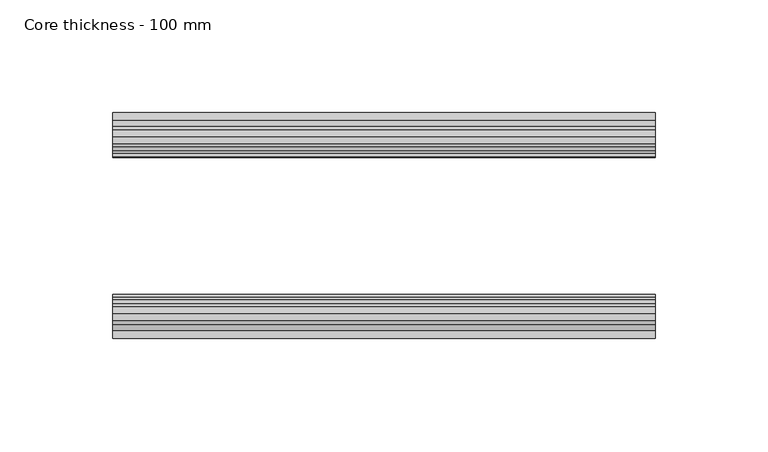
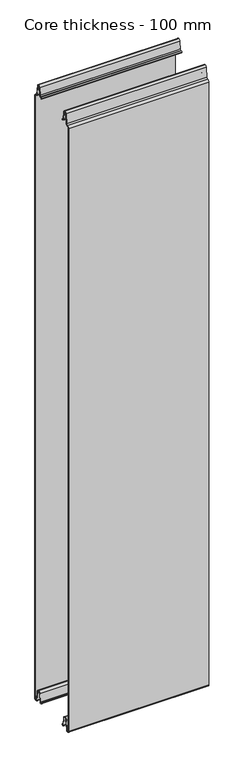
"""IFC4 building model written with IfcOpenShell, lengths in millimetres: plate geometry, Core thickness - 100 mm."""

from ifc_helpers import new_model, si_unit, frame, origin, place, context, project, spatial, polyline, circle_curve, source, transform, mapped, element, save
from ifc_brep_helpers import plane_surface, cylinder_surface, revolved_surface, advanced_brep


def core_thickness_100_mm_8b58ebcf(model_context):
    return source(origin(), model_context, "Body", "AdvancedBrep", [
        advanced_brep(
        [(119.9999998, -99.1996949, 1093.8000005), (119.9999998, -96.6339815, 1096.1942726), (119.9999998, -93.1209335, 1099.1779769), (119.9999998, -91.4584333, 1116.1334653), (119.9999998, -89.1776715, 1118.1999998), (119.9999998, -86.8969097, 1116.1334653), (119.9999998, -85.5642071, 1102.5415123), (119.9999998, -82.9766159, 1100.1952279), (119.9999998, -81.8996949, 1100.1952279), (119.9999998, -81.2996949, 1099.5952279), (119.9999998, -81.2996949, 1098.4952279), (119.9999998, -80.4996949, 1098.4952279), (119.9999998, -80.4996949, 1099.5952279), (119.9999998, -81.8996949, 1100.9952279), (119.9999998, -82.9766159, 1100.9952279), (119.9999998, -84.7680252, 1102.6195786), (119.9999998, -86.1007278, 1116.2115316), (119.9999998, -89.1776715, 1119.0), (119.9999998, -92.2546153, 1116.2115316), (119.9999998, -93.9171154, 1099.2560432), (119.9999998, -96.5778021, 1097.005967), (119.9999998, -99.9996949, 1093.8000005), (119.9999998, -99.9996949, 2.9900682), (119.9999998, -93.81449, 2.6875612), (119.9999998, -92.197116, 19.1828169), (119.9999998, -89.1776715, 21.8898782), (119.9999998, -86.1582271, 19.1828169), (119.9999998, -84.7725998, 5.0510966), (119.9999998, -80.3830995, 5.265779), (119.9999998, -81.1830995, 5.265779), (119.9999998, -83.9764178, 5.1291629), (119.9999998, -85.3620451, 19.2608832), (119.9999998, -89.1776715, 22.6899182), (119.9999998, -92.9932979, 19.2608832), (119.9999998, -94.6106719, 2.7656275), (119.9999998, -99.1996949, 2.9900682), (-119.9999998, -99.2, 1093.8000005), (-119.9999998, -99.2, 2.9900682), (-119.9999998, -94.6106719, 2.7656275), (-119.9999998, -92.9932979, 19.2608832), (-119.9999998, -89.1776715, 22.6899182), (-119.9999998, -85.3620451, 19.2608832), (-119.9999998, -83.9764178, 5.1291629), (-119.9999998, -81.1830995, 5.265779), (-119.9999998, -80.3830995, 5.265779), (-119.9999998, -84.7725998, 5.0510966), (-119.9999998, -86.1582271, 19.1828169), (-119.9999998, -89.1776715, 21.8898782), (-119.9999998, -92.197116, 19.1828169), (-119.9999998, -93.81449, 2.6875612), (-119.9999998, -99.9996949, 2.9900682), (-119.9999998, -99.9996949, 1093.8000005), (-119.9999998, -96.5787437, 1096.9923633), (-119.9999998, -93.9171154, 1099.2560432), (-119.9999998, -92.2546153, 1116.2115316), (-119.9999998, -89.1776715, 1119.0), (-119.9999998, -86.1007278, 1116.2115316), (-119.9999998, -84.7680252, 1102.6195786), (-119.9999998, -82.9766159, 1100.9952279), (-119.9999998, -81.8996949, 1100.9952279), (-119.9999998, -80.4996949, 1099.5952279), (-119.9999998, -80.4996949, 1098.4952279), (-119.9999998, -81.2996949, 1098.4952279), (-119.9999998, -81.2996949, 1099.5952279), (-119.9999998, -81.8996949, 1100.1952279), (-119.9999998, -82.9766159, 1100.1952279), (-119.9999998, -85.5642071, 1102.5415123), (-119.9999998, -86.8969097, 1116.1334653), (-119.9999998, -89.1776715, 1118.1999998), (-119.9999998, -91.4584333, 1116.1334653), (-119.9999998, -93.1209335, 1099.1779769), (-119.9999998, -96.6330399, 1096.2078763)],
        [
            (0, 1, circle_curve(frame((119.9999998, -96.7996949, 1093.8000005), z_axis=(-1.0, 0.0, 0.0), x_axis=(0.0, 0.0, -1.0)), 2.4)),
            (1, 2, circle_curve(frame((119.9999998, -96.4051839, 1099.5000005), z_axis=(1.0, 0.0, 0.0), x_axis=(0.0, 0.0, -1.0)), 3.3)),
            (2, 3),
            (3, 4, circle_curve(frame((119.9999998, -89.1793626, 1115.9100005), z_axis=(-1.0, 0.0, 0.0), x_axis=(0.0, 0.0, -1.0)), 2.29)),
            (4, 5, circle_curve(frame((119.9999998, -89.1759805, 1115.9100005), z_axis=(-1.0, 0.0, 0.0), x_axis=(0.0, 0.0, -1.0)), 2.29)),
            (5, 6),
            (6, 7, circle_curve(frame((119.9999998, -82.9766159, 1102.7952279), z_axis=(1.0, 0.0, 0.0), x_axis=(0.0, 0.0, -1.0)), 2.6)),
            (7, 8),
            (8, 9, circle_curve(frame((119.9999998, -81.8996949, 1099.5952279), z_axis=(-1.0, 0.0, 0.0), x_axis=(0.0, 0.0, -1.0)), 0.6)),
            (9, 10),
            (10, 11),
            (11, 12),
            (12, 13, circle_curve(frame((119.9999998, -81.8996949, 1099.5952279), z_axis=(1.0, 0.0, 0.0), x_axis=(0.0, 0.0, -1.0)), 1.4)),
            (13, 14),
            (14, 15, circle_curve(frame((119.9999998, -82.9766159, 1102.7952279), z_axis=(-1.0, 0.0, 0.0), x_axis=(0.0, 0.0, -1.0)), 1.8)),
            (15, 16),
            (16, 17, circle_curve(frame((119.9999998, -89.1759805, 1115.9100005), z_axis=(1.0, 0.0, 0.0), x_axis=(0.0, 0.0, -1.0)), 3.09)),
            (17, 18, circle_curve(frame((119.9999998, -89.1793626, 1115.9100005), z_axis=(1.0, 0.0, 0.0), x_axis=(0.0, 0.0, -1.0)), 3.09)),
            (18, 19),
            (19, 20, circle_curve(frame((119.9999998, -96.4051839, 1099.5000005), z_axis=(-1.0, 0.0, 0.0), x_axis=(0.0, 0.0, -1.0)), 2.5)),
            (20, 21, circle_curve(frame((119.9999998, -96.7996949, 1093.8000005), z_axis=(1.0, 0.0, 0.0), x_axis=(0.0, 0.0, -1.0)), 3.2)),
            (21, 22),
            (22, 23, circle_curve(frame((119.9999998, -96.8996949, 2.9900682), z_axis=(1.0, 0.0, 0.0), x_axis=(0.0, 0.0, -1.0)), 3.1)),
            (23, 24),
            (24, 25, circle_curve(frame((119.9999998, -89.2114338, 18.8900682), z_axis=(-1.0, 0.0, 0.0), x_axis=(0.0, 0.0, -1.0)), 3.0)),
            (25, 26, circle_curve(frame((119.9999998, -89.1439093, 18.8900682), z_axis=(-1.0, 0.0, 0.0), x_axis=(0.0, 0.0, -1.0)), 3.0)),
            (26, 27),
            (27, 28, circle_curve(frame((119.9999998, -82.5830995, 5.265779), z_axis=(1.0, 0.0, 0.0), x_axis=(0.0, 0.0, -1.0)), 2.2)),
            (28, 29),
            (29, 30, circle_curve(frame((119.9999998, -82.5830995, 5.265779), z_axis=(-1.0, 0.0, 0.0), x_axis=(0.0, 0.0, -1.0)), 1.4)),
            (30, 31),
            (31, 32, circle_curve(frame((119.9999998, -89.1439093, 18.8900682), z_axis=(1.0, 0.0, 0.0), x_axis=(0.0, 0.0, -1.0)), 3.8)),
            (32, 33, circle_curve(frame((119.9999998, -89.2114338, 18.8900682), z_axis=(1.0, 0.0, 0.0), x_axis=(0.0, 0.0, -1.0)), 3.8)),
            (33, 34),
            (34, 35, circle_curve(frame((119.9999998, -96.8996949, 2.9900682), z_axis=(-1.0, 0.0, 0.0), x_axis=(0.0, 0.0, -1.0)), 2.3)),
            (35, 0),
            (36, 37),
            (37, 38, circle_curve(frame((-119.9999998, -96.8996949, 2.9900682), z_axis=(1.0, 0.0, 0.0), x_axis=(0.0, 0.0, -1.0)), 2.3)),
            (38, 39),
            (39, 40, circle_curve(frame((-119.9999998, -89.2114338, 18.8900682), z_axis=(-1.0, 0.0, 0.0), x_axis=(0.0, 0.0, -1.0)), 3.8)),
            (40, 41, circle_curve(frame((-119.9999998, -89.1439093, 18.8900682), z_axis=(-1.0, 0.0, 0.0), x_axis=(0.0, 0.0, -1.0)), 3.8)),
            (41, 42),
            (42, 43, circle_curve(frame((-119.9999998, -82.5830995, 5.265779), z_axis=(1.0, 0.0, 0.0), x_axis=(0.0, 0.0, -1.0)), 1.4)),
            (43, 44),
            (44, 45, circle_curve(frame((-119.9999998, -82.5830995, 5.265779), z_axis=(-1.0, 0.0, 0.0), x_axis=(0.0, 0.0, -1.0)), 2.2)),
            (45, 46),
            (46, 47, circle_curve(frame((-119.9999998, -89.1439093, 18.8900682), z_axis=(1.0, 0.0, 0.0), x_axis=(0.0, 0.0, -1.0)), 3.0)),
            (47, 48, circle_curve(frame((-119.9999998, -89.2114338, 18.8900682), z_axis=(1.0, 0.0, 0.0), x_axis=(0.0, 0.0, -1.0)), 3.0)),
            (48, 49),
            (49, 50, circle_curve(frame((-119.9999998, -96.8996949, 2.9900682), z_axis=(-1.0, 0.0, 0.0), x_axis=(0.0, 0.0, -1.0)), 3.1)),
            (50, 51),
            (51, 52, circle_curve(frame((-119.9999998, -96.7996949, 1093.8000005), z_axis=(-1.0, 0.0, 0.0), x_axis=(0.0, 0.0, -1.0)), 3.2)),
            (52, 53, circle_curve(frame((-119.9999998, -96.4051839, 1099.5000005), z_axis=(1.0, 0.0, 0.0), x_axis=(0.0, 0.0, -1.0)), 2.5)),
            (53, 54),
            (54, 55, circle_curve(frame((-119.9999998, -89.1793626, 1115.9100005), z_axis=(-1.0, 0.0, 0.0), x_axis=(0.0, 0.0, -1.0)), 3.09)),
            (55, 56, circle_curve(frame((-119.9999998, -89.1759805, 1115.9100005), z_axis=(-1.0, 0.0, 0.0), x_axis=(0.0, 0.0, -1.0)), 3.09)),
            (56, 57),
            (57, 58, circle_curve(frame((-119.9999998, -82.9766159, 1102.7952279), z_axis=(1.0, 0.0, 0.0), x_axis=(0.0, 0.0, -1.0)), 1.8)),
            (58, 59),
            (59, 60, circle_curve(frame((-119.9999998, -81.8996949, 1099.5952279), z_axis=(-1.0, 0.0, 0.0), x_axis=(0.0, 0.0, -1.0)), 1.4)),
            (60, 61),
            (61, 62),
            (62, 63),
            (63, 64, circle_curve(frame((-119.9999998, -81.8996949, 1099.5952279), z_axis=(1.0, 0.0, 0.0), x_axis=(0.0, 0.0, -1.0)), 0.6)),
            (64, 65),
            (65, 66, circle_curve(frame((-119.9999998, -82.9766159, 1102.7952279), z_axis=(-1.0, 0.0, 0.0), x_axis=(0.0, 0.0, -1.0)), 2.6)),
            (66, 67),
            (67, 68, circle_curve(frame((-119.9999998, -89.1759805, 1115.9100005), z_axis=(1.0, 0.0, 0.0), x_axis=(0.0, 0.0, -1.0)), 2.29)),
            (68, 69, circle_curve(frame((-119.9999998, -89.1793626, 1115.9100005), z_axis=(1.0, 0.0, 0.0), x_axis=(0.0, 0.0, -1.0)), 2.29)),
            (69, 70),
            (70, 71, circle_curve(frame((-119.9999998, -96.4051839, 1099.5000005), z_axis=(-1.0, 0.0, 0.0), x_axis=(0.0, 0.0, -1.0)), 3.3)),
            (71, 36, circle_curve(frame((-119.9999998, -96.7996949, 1093.8000005), z_axis=(1.0, 0.0, 0.0), x_axis=(0.0, 0.0, -1.0)), 2.4)),
            (35, 37),
            (36, 0),
            (21, 51),
            (50, 22),
            (20, 52),
            (19, 53),
            (18, 54),
            (17, 55),
            (16, 56),
            (15, 57),
            (14, 58),
            (13, 59),
            (12, 60),
            (11, 61),
            (10, 62),
            (9, 63),
            (8, 64),
            (7, 65),
            (6, 66),
            (5, 67),
            (4, 68),
            (3, 69),
            (2, 70),
            (1, 71),
            (34, 38),
            (33, 39),
            (32, 40),
            (31, 41),
            (30, 42),
            (29, 43),
            (28, 44),
            (27, 45),
            (26, 46),
            (25, 47),
            (24, 48),
            (23, 49),
        ],
        [
            plane_surface(frame((119.9999998, -100.0, 0.0), z_axis=(1.0, 0.0, 0.0), x_axis=(0.0, 1.0, 0.0))),
            plane_surface(frame((-119.9999998, -100.0, 0.0), z_axis=(-1.0, 0.0, 0.0), x_axis=(0.0, 1.0, 0.0))),
            plane_surface(frame((119.9999998, -99.2, 2.9900682), z_axis=(0.0, 1.0, 0.0), x_axis=(-1.0, 0.0, 0.0))),
            plane_surface(frame((119.9999998, -99.9996949, 1093.8000005), z_axis=(0.0, -1.0, 0.0), x_axis=(-1.0, 0.0, 0.0))),
            cylinder_surface(frame((119.9999998, -96.7996949, 1093.8000005), z_axis=(1.0, 0.0, 0.0), x_axis=(0.0, 0.0, -1.0)), 3.2),
            revolved_surface(polyline([(-119.9999998, -96.4051839, 1097.0000005), (119.9999998, -96.4051839, 1097.0000005)]), (119.9999998, -96.4051839, 1099.5000005), (-1.0, 0.0, 0.0)),
            plane_surface(frame((119.9999998, -92.2546153, 1116.2115316), z_axis=(0.0, -0.9952273999818317, 0.0975828997591444), x_axis=(-1.0, 0.0, 0.0))),
            cylinder_surface(frame((119.9999998, -89.1793626, 1115.9100005), z_axis=(1.0, 0.0, 0.0), x_axis=(0.0, 0.0, -1.0)), 3.09),
            cylinder_surface(frame((119.9999998, -89.1759805, 1115.9100005), z_axis=(1.0, 0.0, 0.0), x_axis=(0.0, 0.0, -1.0)), 3.09),
            plane_surface(frame((119.9999998, -84.7680252, 1102.6195786), z_axis=(0.0, 0.9952273999818314, 0.0975828997591471), x_axis=(-1.0, 0.0, 0.0))),
            revolved_surface(polyline([(-119.9999998, -82.9766159, 1100.9952279000001), (119.9999998, -82.9766159, 1100.9952279000001)]), (119.9999998, -82.9766159, 1102.7952279), (-1.0, 0.0, 0.0)),
            plane_surface(frame((119.9999998, -81.8996949, 1100.9952279), z_axis=(0.0, 0.0, 1.0), x_axis=(-1.0, 0.0, 0.0))),
            cylinder_surface(frame((119.9999998, -81.8996949, 1099.5952279), z_axis=(1.0, 0.0, 0.0), x_axis=(0.0, 0.0, -1.0)), 1.4),
            plane_surface(frame((119.9999998, -80.4996949, 1098.4952279), z_axis=(0.0, 1.0, 0.0), x_axis=(-1.0, 0.0, 0.0))),
            plane_surface(frame((119.9999998, -81.2996949, 1098.4952279), z_axis=(0.0, 0.0, -1.0), x_axis=(-1.0, 0.0, 0.0))),
            plane_surface(frame((119.9999998, -81.2996949, 1099.5952279), z_axis=(0.0, -1.0, 0.0), x_axis=(-1.0, 0.0, 0.0))),
            revolved_surface(polyline([(-119.9999998, -81.8996949, 1098.9952279000001), (119.9999998, -81.8996949, 1098.9952279000001)]), (119.9999998, -81.8996949, 1099.5952279), (-1.0, 0.0, 0.0)),
            plane_surface(frame((119.9999998, -82.9766159, 1100.1952279), z_axis=(0.0, 0.0, -1.0), x_axis=(-1.0, 0.0, 0.0))),
            cylinder_surface(frame((119.9999998, -82.9766159, 1102.7952279), z_axis=(1.0, 0.0, 0.0), x_axis=(0.0, 0.0, -1.0)), 2.6),
            plane_surface(frame((119.9999998, -86.8969097, 1116.1334653), z_axis=(0.0, -0.9952273999818314, -0.09758289975914705), x_axis=(-1.0, 0.0, 0.0))),
            revolved_surface(polyline([(-119.9999998, -89.1759805, 1113.6200005), (119.9999998, -89.1759805, 1113.6200005)]), (119.9999998, -89.1759805, 1115.9100005), (-1.0, 0.0, 0.0)),
            revolved_surface(polyline([(-119.9999998, -89.1793626, 1113.6200005), (119.9999998, -89.1793626, 1113.6200005)]), (119.9999998, -89.1793626, 1115.9100005), (-1.0, 0.0, 0.0)),
            plane_surface(frame((119.9999998, -93.1209335, 1099.1779769), z_axis=(0.0, 0.9952273999818317, -0.09758289975914436), x_axis=(-1.0, 0.0, 0.0))),
            cylinder_surface(frame((119.9999998, -96.4051839, 1099.5000005), z_axis=(1.0, 0.0, 0.0), x_axis=(0.0, 0.0, -1.0)), 3.3),
            revolved_surface(polyline([(-119.9999998, -96.7996949, 1091.4000004999998), (119.9999998, -96.7996949, 1091.4000004999998)]), (119.9999998, -96.7996949, 1093.8000005), (-1.0, 0.0, 0.0)),
            revolved_surface(polyline([(-119.9999998, -96.8996949, 0.6900682000000002), (119.9999998, -96.8996949, 0.6900682000000002)]), (119.9999998, -96.8996949, 2.9900682), (-1.0, 0.0, 0.0)),
            plane_surface(frame((119.9999998, -92.9932979, 19.2608832), z_axis=(0.0, -0.9952273999818314, 0.09758289975914787), x_axis=(-1.0, 0.0, 0.0))),
            cylinder_surface(frame((119.9999998, -89.2114338, 18.8900682), z_axis=(1.0, 0.0, 0.0), x_axis=(0.0, 0.0, -1.0)), 3.8),
            cylinder_surface(frame((119.9999998, -89.1439093, 18.8900682), z_axis=(1.0, 0.0, 0.0), x_axis=(0.0, 0.0, -1.0)), 3.8),
            plane_surface(frame((119.9999998, -83.9764178, 5.1291629), z_axis=(0.0, 0.9952273999818297, 0.09758289975916531), x_axis=(-1.0, 0.0, 0.0))),
            revolved_surface(polyline([(-119.9999998, -82.5830995, 3.8657790000000003), (119.9999998, -82.5830995, 3.8657790000000003)]), (119.9999998, -82.5830995, 5.265779), (-1.0, 0.0, 0.0)),
            plane_surface(frame((119.9999998, -80.3830995, 5.265779), z_axis=(0.0, 0.0, 1.0), x_axis=(-1.0, 0.0, 0.0))),
            cylinder_surface(frame((119.9999998, -82.5830995, 5.265779), z_axis=(1.0, 0.0, 0.0), x_axis=(0.0, 0.0, -1.0)), 2.2),
            plane_surface(frame((119.9999998, -86.1582271, 19.1828169), z_axis=(0.0, -0.9952273999818296, -0.09758289975916527), x_axis=(-1.0, 0.0, 0.0))),
            revolved_surface(polyline([(-119.9999998, -89.1439093, 15.890068200000002), (119.9999998, -89.1439093, 15.890068200000002)]), (119.9999998, -89.1439093, 18.8900682), (-1.0, 0.0, 0.0)),
            revolved_surface(polyline([(-119.9999998, -89.2114338, 15.890068200000002), (119.9999998, -89.2114338, 15.890068200000002)]), (119.9999998, -89.2114338, 18.8900682), (-1.0, 0.0, 0.0)),
            plane_surface(frame((119.9999998, -93.81449, 2.6875612), z_axis=(0.0, 0.9952273999818314, -0.09758289975914787), x_axis=(-1.0, 0.0, 0.0))),
            cylinder_surface(frame((119.9999998, -96.8996949, 2.9900682), z_axis=(1.0, 0.0, 0.0), x_axis=(0.0, 0.0, -1.0)), 3.1),
        ],
        [
            (0, [[1, 2, 3, 4, 5, 6, 7, 8, 9, 10, 11, 12, 13, 14, 15, 16, 17, 18, 19, 20, 21, 22, 23, 24, 25, 26, 27, 28, 29, 30, 31, 32, 33, 34, 35, 36]]),
            (1, [[37, 38, 39, 40, 41, 42, 43, 44, 45, 46, 47, 48, 49, 50, 51, 52, 53, 54, 55, 56, 57, 58, 59, 60, 61, 62, 63, 64, 65, 66, 67, 68, 69, 70, 71, 72]]),
            (2, [[-36, 73, -37, 74]]),
            (3, [[-22, 75, -51, 76]]),
            (4, [[-21, 77, -52, -75]]),
            (5, [[-20, 78, -53, -77]]),
            (6, [[-19, 79, -54, -78]]),
            (7, [[-18, 80, -55, -79]]),
            (8, [[-17, 81, -56, -80]]),
            (9, [[-16, 82, -57, -81]]),
            (10, [[-15, 83, -58, -82]]),
            (11, [[-14, 84, -59, -83]]),
            (12, [[-13, 85, -60, -84]]),
            (13, [[-12, 86, -61, -85]]),
            (14, [[-11, 87, -62, -86]]),
            (15, [[-10, 88, -63, -87]]),
            (16, [[-9, 89, -64, -88]]),
            (17, [[-8, 90, -65, -89]]),
            (18, [[-7, 91, -66, -90]]),
            (19, [[-6, 92, -67, -91]]),
            (20, [[-5, 93, -68, -92]]),
            (21, [[-4, 94, -69, -93]]),
            (22, [[-3, 95, -70, -94]]),
            (23, [[-2, 96, -71, -95]]),
            (24, [[-1, -74, -72, -96]]),
            (25, [[-35, 97, -38, -73]]),
            (26, [[-34, 98, -39, -97]]),
            (27, [[-33, 99, -40, -98]]),
            (28, [[-32, 100, -41, -99]]),
            (29, [[-31, 101, -42, -100]]),
            (30, [[-30, 102, -43, -101]]),
            (31, [[-29, 103, -44, -102]]),
            (32, [[-28, 104, -45, -103]]),
            (33, [[-27, 105, -46, -104]]),
            (34, [[-26, 106, -47, -105]]),
            (35, [[-25, 107, -48, -106]]),
            (36, [[-24, 108, -49, -107]]),
            (37, [[-23, -76, -50, -108]]),
        ],
    ),
        advanced_brep(
        [(119.9999998, -0.8, 1093.8000005), (119.9999998, -0.8, 2.9900682), (119.9999998, -5.3893281, 2.7656275), (119.9999998, -7.0067021, 19.2608832), (119.9999998, -10.8223285, 22.6899182), (119.9999998, -14.6379549, 19.2608832), (119.9999998, -16.0235822, 5.1291629), (119.9999998, -18.8169005, 5.265779), (119.9999998, -19.6169005, 5.265779), (119.9999998, -15.2274002, 5.0510966), (119.9999998, -13.8417729, 19.1828169), (119.9999998, -10.8223285, 21.8898782), (119.9999998, -7.802884, 19.1828169), (119.9999998, -6.18551, 2.6875612), (119.9999998, -0.0003051, 2.9900682), (119.9999998, -0.0003051, 1093.8000005), (119.9999998, -3.4212563, 1096.9923633), (119.9999998, -6.0828846, 1099.2560432), (119.9999998, -7.7453847, 1116.2115316), (119.9999998, -10.8223285, 1119.0), (119.9999998, -13.8992722, 1116.2115316), (119.9999998, -15.2319748, 1102.6195786), (119.9999998, -17.0233841, 1100.9952279), (119.9999998, -18.1003051, 1100.9952279), (119.9999998, -19.5003051, 1099.5952279), (119.9999998, -19.5003051, 1098.4952279), (119.9999998, -18.7003051, 1098.4952279), (119.9999998, -18.7003051, 1099.5952279), (119.9999998, -18.1003051, 1100.1952279), (119.9999998, -17.0233841, 1100.1952279), (119.9999998, -14.4357929, 1102.5415123), (119.9999998, -13.1030903, 1116.1334653), (119.9999998, -10.8223285, 1118.1999998), (119.9999998, -8.5415667, 1116.1334653), (119.9999998, -6.8790665, 1099.1779769), (119.9999998, -3.3669601, 1096.2078763), (-119.9999998, -0.8003051, 1093.8000005), (-119.9999998, -3.3660185, 1096.1942726), (-119.9999998, -6.8790665, 1099.1779769), (-119.9999998, -8.5415667, 1116.1334653), (-119.9999998, -10.8223285, 1118.1999998), (-119.9999998, -13.1030903, 1116.1334653), (-119.9999998, -14.4357929, 1102.5415123), (-119.9999998, -17.0233841, 1100.1952279), (-119.9999998, -18.1003051, 1100.1952279), (-119.9999998, -18.7003051, 1099.5952279), (-119.9999998, -18.7003051, 1098.4952279), (-119.9999998, -19.5003051, 1098.4952279), (-119.9999998, -19.5003051, 1099.5952279), (-119.9999998, -18.1003051, 1100.9952279), (-119.9999998, -17.0233841, 1100.9952279), (-119.9999998, -15.2319748, 1102.6195786), (-119.9999998, -13.8992722, 1116.2115316), (-119.9999998, -10.8223285, 1119.0), (-119.9999998, -7.7453847, 1116.2115316), (-119.9999998, -6.0828846, 1099.2560432), (-119.9999998, -3.4221979, 1097.005967), (-119.9999998, -0.0003051, 1093.8000005), (-119.9999998, -0.0003051, 2.9900682), (-119.9999998, -6.18551, 2.6875612), (-119.9999998, -7.802884, 19.1828169), (-119.9999998, -10.8223285, 21.8898782), (-119.9999998, -13.8417729, 19.1828169), (-119.9999998, -15.2274002, 5.0510966), (-119.9999998, -19.6169005, 5.265779), (-119.9999998, -18.8169005, 5.265779), (-119.9999998, -16.0235822, 5.1291629), (-119.9999998, -14.6379549, 19.2608832), (-119.9999998, -10.8223285, 22.6899182), (-119.9999998, -7.0067021, 19.2608832), (-119.9999998, -5.3893281, 2.7656275), (-119.9999998, -0.8003051, 2.9900682)],
        [
            (0, 1),
            (1, 2, circle_curve(frame((119.9999998, -3.1003051, 2.9900682), z_axis=(-1.0, 0.0, 0.0), x_axis=(0.0, 0.0, -1.0)), 2.3)),
            (2, 3),
            (3, 4, circle_curve(frame((119.9999998, -10.7885662, 18.8900682), z_axis=(1.0, 0.0, 0.0), x_axis=(0.0, 0.0, -1.0)), 3.8)),
            (4, 5, circle_curve(frame((119.9999998, -10.8560907, 18.8900682), z_axis=(1.0, 0.0, 0.0), x_axis=(0.0, 0.0, -1.0)), 3.8)),
            (5, 6),
            (6, 7, circle_curve(frame((119.9999998, -17.4169005, 5.265779), z_axis=(-1.0, 0.0, 0.0), x_axis=(0.0, 0.0, -1.0)), 1.4)),
            (7, 8),
            (8, 9, circle_curve(frame((119.9999998, -17.4169005, 5.265779), z_axis=(1.0, 0.0, 0.0), x_axis=(0.0, 0.0, -1.0)), 2.2)),
            (9, 10),
            (10, 11, circle_curve(frame((119.9999998, -10.8560907, 18.8900682), z_axis=(-1.0, 0.0, 0.0), x_axis=(0.0, 0.0, -1.0)), 3.0)),
            (11, 12, circle_curve(frame((119.9999998, -10.7885662, 18.8900682), z_axis=(-1.0, 0.0, 0.0), x_axis=(0.0, 0.0, -1.0)), 3.0)),
            (12, 13),
            (13, 14, circle_curve(frame((119.9999998, -3.1003051, 2.9900682), z_axis=(1.0, 0.0, 0.0), x_axis=(0.0, 0.0, -1.0)), 3.1)),
            (14, 15),
            (15, 16, circle_curve(frame((119.9999998, -3.2003051, 1093.8000005), z_axis=(1.0, 0.0, 0.0), x_axis=(0.0, 0.0, -1.0)), 3.2)),
            (16, 17, circle_curve(frame((119.9999998, -3.5948161, 1099.5000005), z_axis=(-1.0, 0.0, 0.0), x_axis=(0.0, 0.0, -1.0)), 2.5)),
            (17, 18),
            (18, 19, circle_curve(frame((119.9999998, -10.8206374, 1115.9100005), z_axis=(1.0, 0.0, 0.0), x_axis=(0.0, 0.0, -1.0)), 3.09)),
            (19, 20, circle_curve(frame((119.9999998, -10.8240195, 1115.9100005), z_axis=(1.0, 0.0, 0.0), x_axis=(0.0, 0.0, -1.0)), 3.09)),
            (20, 21),
            (21, 22, circle_curve(frame((119.9999998, -17.0233841, 1102.7952279), z_axis=(-1.0, 0.0, 0.0), x_axis=(0.0, 0.0, -1.0)), 1.8)),
            (22, 23),
            (23, 24, circle_curve(frame((119.9999998, -18.1003051, 1099.5952279), z_axis=(1.0, 0.0, 0.0), x_axis=(0.0, 0.0, -1.0)), 1.4)),
            (24, 25),
            (25, 26),
            (26, 27),
            (27, 28, circle_curve(frame((119.9999998, -18.1003051, 1099.5952279), z_axis=(-1.0, 0.0, 0.0), x_axis=(0.0, 0.0, -1.0)), 0.6)),
            (28, 29),
            (29, 30, circle_curve(frame((119.9999998, -17.0233841, 1102.7952279), z_axis=(1.0, 0.0, 0.0), x_axis=(0.0, 0.0, -1.0)), 2.6)),
            (30, 31),
            (31, 32, circle_curve(frame((119.9999998, -10.8240195, 1115.9100005), z_axis=(-1.0, 0.0, 0.0), x_axis=(0.0, 0.0, -1.0)), 2.29)),
            (32, 33, circle_curve(frame((119.9999998, -10.8206374, 1115.9100005), z_axis=(-1.0, 0.0, 0.0), x_axis=(0.0, 0.0, -1.0)), 2.29)),
            (33, 34),
            (34, 35, circle_curve(frame((119.9999998, -3.5948161, 1099.5000005), z_axis=(1.0, 0.0, 0.0), x_axis=(0.0, 0.0, -1.0)), 3.3)),
            (35, 0, circle_curve(frame((119.9999998, -3.2003051, 1093.8000005), z_axis=(-1.0, 0.0, 0.0), x_axis=(0.0, 0.0, -1.0)), 2.4)),
            (36, 37, circle_curve(frame((-119.9999998, -3.2003051, 1093.8000005), z_axis=(1.0, 0.0, 0.0), x_axis=(0.0, 0.0, -1.0)), 2.4)),
            (37, 38, circle_curve(frame((-119.9999998, -3.5948161, 1099.5000005), z_axis=(-1.0, 0.0, 0.0), x_axis=(0.0, 0.0, -1.0)), 3.3)),
            (38, 39),
            (39, 40, circle_curve(frame((-119.9999998, -10.8206374, 1115.9100005), z_axis=(1.0, 0.0, 0.0), x_axis=(0.0, 0.0, -1.0)), 2.29)),
            (40, 41, circle_curve(frame((-119.9999998, -10.8240195, 1115.9100005), z_axis=(1.0, 0.0, 0.0), x_axis=(0.0, 0.0, -1.0)), 2.29)),
            (41, 42),
            (42, 43, circle_curve(frame((-119.9999998, -17.0233841, 1102.7952279), z_axis=(-1.0, 0.0, 0.0), x_axis=(0.0, 0.0, -1.0)), 2.6)),
            (43, 44),
            (44, 45, circle_curve(frame((-119.9999998, -18.1003051, 1099.5952279), z_axis=(1.0, 0.0, 0.0), x_axis=(0.0, 0.0, -1.0)), 0.6)),
            (45, 46),
            (46, 47),
            (47, 48),
            (48, 49, circle_curve(frame((-119.9999998, -18.1003051, 1099.5952279), z_axis=(-1.0, 0.0, 0.0), x_axis=(0.0, 0.0, -1.0)), 1.4)),
            (49, 50),
            (50, 51, circle_curve(frame((-119.9999998, -17.0233841, 1102.7952279), z_axis=(1.0, 0.0, 0.0), x_axis=(0.0, 0.0, -1.0)), 1.8)),
            (51, 52),
            (52, 53, circle_curve(frame((-119.9999998, -10.8240195, 1115.9100005), z_axis=(-1.0, 0.0, 0.0), x_axis=(0.0, 0.0, -1.0)), 3.09)),
            (53, 54, circle_curve(frame((-119.9999998, -10.8206374, 1115.9100005), z_axis=(-1.0, 0.0, 0.0), x_axis=(0.0, 0.0, -1.0)), 3.09)),
            (54, 55),
            (55, 56, circle_curve(frame((-119.9999998, -3.5948161, 1099.5000005), z_axis=(1.0, 0.0, 0.0), x_axis=(0.0, 0.0, -1.0)), 2.5)),
            (56, 57, circle_curve(frame((-119.9999998, -3.2003051, 1093.8000005), z_axis=(-1.0, 0.0, 0.0), x_axis=(0.0, 0.0, -1.0)), 3.2)),
            (57, 58),
            (58, 59, circle_curve(frame((-119.9999998, -3.1003051, 2.9900682), z_axis=(-1.0, 0.0, 0.0), x_axis=(0.0, 0.0, -1.0)), 3.1)),
            (59, 60),
            (60, 61, circle_curve(frame((-119.9999998, -10.7885662, 18.8900682), z_axis=(1.0, 0.0, 0.0), x_axis=(0.0, 0.0, -1.0)), 3.0)),
            (61, 62, circle_curve(frame((-119.9999998, -10.8560907, 18.8900682), z_axis=(1.0, 0.0, 0.0), x_axis=(0.0, 0.0, -1.0)), 3.0)),
            (62, 63),
            (63, 64, circle_curve(frame((-119.9999998, -17.4169005, 5.265779), z_axis=(-1.0, 0.0, 0.0), x_axis=(0.0, 0.0, -1.0)), 2.2)),
            (64, 65),
            (65, 66, circle_curve(frame((-119.9999998, -17.4169005, 5.265779), z_axis=(1.0, 0.0, 0.0), x_axis=(0.0, 0.0, -1.0)), 1.4)),
            (66, 67),
            (67, 68, circle_curve(frame((-119.9999998, -10.8560907, 18.8900682), z_axis=(-1.0, 0.0, 0.0), x_axis=(0.0, 0.0, -1.0)), 3.8)),
            (68, 69, circle_curve(frame((-119.9999998, -10.7885662, 18.8900682), z_axis=(-1.0, 0.0, 0.0), x_axis=(0.0, 0.0, -1.0)), 3.8)),
            (69, 70),
            (70, 71, circle_curve(frame((-119.9999998, -3.1003051, 2.9900682), z_axis=(1.0, 0.0, 0.0), x_axis=(0.0, 0.0, -1.0)), 2.3)),
            (71, 36),
            (35, 37),
            (36, 0),
            (34, 38),
            (33, 39),
            (32, 40),
            (31, 41),
            (30, 42),
            (29, 43),
            (28, 44),
            (27, 45),
            (26, 46),
            (25, 47),
            (24, 48),
            (23, 49),
            (22, 50),
            (21, 51),
            (20, 52),
            (19, 53),
            (18, 54),
            (17, 55),
            (16, 56),
            (15, 57),
            (14, 58),
            (71, 1),
            (13, 59),
            (12, 60),
            (11, 61),
            (10, 62),
            (9, 63),
            (8, 64),
            (7, 65),
            (6, 66),
            (5, 67),
            (4, 68),
            (3, 69),
            (2, 70),
        ],
        [
            plane_surface(frame((119.9999998, 0.0, 0.0), z_axis=(1.0, 0.0, 0.0), x_axis=(0.0, -1.0, 0.0))),
            plane_surface(frame((-119.9999998, 0.0, 0.0), z_axis=(-1.0, 0.0, 0.0), x_axis=(0.0, -1.0, 0.0))),
            revolved_surface(polyline([(-119.9999998, -3.2003051, 1091.4000004999998), (119.9999998, -3.2003051, 1091.4000004999998)]), (119.9999998, -3.2003051, 1093.8000005), (-1.0, 0.0, 0.0)),
            cylinder_surface(frame((119.9999998, -3.5948161, 1099.5000005), z_axis=(1.0, 0.0, 0.0), x_axis=(0.0, 0.0, -1.0)), 3.3),
            plane_surface(frame((119.9999998, -8.5415667, 1116.1334653), z_axis=(0.0, -0.9952273999818317, -0.09758289975914436), x_axis=(-1.0, 0.0, 0.0))),
            revolved_surface(polyline([(-119.9999998, -10.8206374, 1113.6200005), (119.9999998, -10.8206374, 1113.6200005)]), (119.9999998, -10.8206374, 1115.9100005), (-1.0, 0.0, 0.0)),
            revolved_surface(polyline([(-119.9999998, -10.8240195, 1113.6200005), (119.9999998, -10.8240195, 1113.6200005)]), (119.9999998, -10.8240195, 1115.9100005), (-1.0, 0.0, 0.0)),
            plane_surface(frame((119.9999998, -14.4357929, 1102.5415123), z_axis=(0.0, 0.9952273999818314, -0.09758289975914705), x_axis=(-1.0, 0.0, 0.0))),
            cylinder_surface(frame((119.9999998, -17.0233841, 1102.7952279), z_axis=(1.0, 0.0, 0.0), x_axis=(0.0, 0.0, -1.0)), 2.6),
            plane_surface(frame((119.9999998, -18.1003051, 1100.1952279), z_axis=(0.0, 0.0, -1.0), x_axis=(-1.0, 0.0, 0.0))),
            revolved_surface(polyline([(-119.9999998, -18.1003051, 1098.9952279000001), (119.9999998, -18.1003051, 1098.9952279000001)]), (119.9999998, -18.1003051, 1099.5952279), (-1.0, 0.0, 0.0)),
            plane_surface(frame((119.9999998, -18.7003051, 1098.4952279), z_axis=(0.0, 1.0, 0.0), x_axis=(-1.0, 0.0, 0.0))),
            plane_surface(frame((119.9999998, -19.5003051, 1098.4952279), z_axis=(0.0, 0.0, -1.0), x_axis=(-1.0, 0.0, 0.0))),
            plane_surface(frame((119.9999998, -19.5003051, 1099.5952279), z_axis=(0.0, -1.0, 0.0), x_axis=(-1.0, 0.0, 0.0))),
            cylinder_surface(frame((119.9999998, -18.1003051, 1099.5952279), z_axis=(1.0, 0.0, 0.0), x_axis=(0.0, 0.0, -1.0)), 1.4),
            plane_surface(frame((119.9999998, -17.0233841, 1100.9952279), z_axis=(0.0, 0.0, 1.0), x_axis=(-1.0, 0.0, 0.0))),
            revolved_surface(polyline([(-119.9999998, -17.0233841, 1100.9952279000001), (119.9999998, -17.0233841, 1100.9952279000001)]), (119.9999998, -17.0233841, 1102.7952279), (-1.0, 0.0, 0.0)),
            plane_surface(frame((119.9999998, -13.8992722, 1116.2115316), z_axis=(0.0, -0.9952273999818314, 0.0975828997591471), x_axis=(-1.0, 0.0, 0.0))),
            cylinder_surface(frame((119.9999998, -10.8240195, 1115.9100005), z_axis=(1.0, 0.0, 0.0), x_axis=(0.0, 0.0, -1.0)), 3.09),
            cylinder_surface(frame((119.9999998, -10.8206374, 1115.9100005), z_axis=(1.0, 0.0, 0.0), x_axis=(0.0, 0.0, -1.0)), 3.09),
            plane_surface(frame((119.9999998, -6.0828846, 1099.2560432), z_axis=(0.0, 0.9952273999818317, 0.0975828997591444), x_axis=(-1.0, 0.0, 0.0))),
            revolved_surface(polyline([(-119.9999998, -3.5948161, 1097.0000005), (119.9999998, -3.5948161, 1097.0000005)]), (119.9999998, -3.5948161, 1099.5000005), (-1.0, 0.0, 0.0)),
            cylinder_surface(frame((119.9999998, -3.2003051, 1093.8000005), z_axis=(1.0, 0.0, 0.0), x_axis=(0.0, 0.0, -1.0)), 3.2),
            plane_surface(frame((119.9999998, -0.0003051, 2.9900682), z_axis=(0.0, 1.0, 0.0), x_axis=(-1.0, 0.0, 0.0))),
            plane_surface(frame((119.9999998, -0.8, 1093.8000005), z_axis=(0.0, -1.0, 0.0), x_axis=(-1.0, 0.0, 0.0))),
            cylinder_surface(frame((119.9999998, -3.1003051, 2.9900682), z_axis=(1.0, 0.0, 0.0), x_axis=(0.0, 0.0, -1.0)), 3.1),
            plane_surface(frame((119.9999998, -7.802884, 19.1828169), z_axis=(0.0, -0.9952273999818314, -0.09758289975914787), x_axis=(-1.0, 0.0, 0.0))),
            revolved_surface(polyline([(-119.9999998, -10.7885662, 15.890068200000002), (119.9999998, -10.7885662, 15.890068200000002)]), (119.9999998, -10.7885662, 18.8900682), (-1.0, 0.0, 0.0)),
            revolved_surface(polyline([(-119.9999998, -10.8560907, 15.890068200000002), (119.9999998, -10.8560907, 15.890068200000002)]), (119.9999998, -10.8560907, 18.8900682), (-1.0, 0.0, 0.0)),
            plane_surface(frame((119.9999998, -15.2274002, 5.0510966), z_axis=(0.0, 0.9952273999818296, -0.09758289975916527), x_axis=(-1.0, 0.0, 0.0))),
            cylinder_surface(frame((119.9999998, -17.4169005, 5.265779), z_axis=(1.0, 0.0, 0.0), x_axis=(0.0, 0.0, -1.0)), 2.2),
            plane_surface(frame((119.9999998, -18.8169005, 5.265779), z_axis=(0.0, 0.0, 1.0), x_axis=(-1.0, 0.0, 0.0))),
            revolved_surface(polyline([(-119.9999998, -17.4169005, 3.8657790000000003), (119.9999998, -17.4169005, 3.8657790000000003)]), (119.9999998, -17.4169005, 5.265779), (-1.0, 0.0, 0.0)),
            plane_surface(frame((119.9999998, -14.6379549, 19.2608832), z_axis=(0.0, -0.9952273999818297, 0.09758289975916531), x_axis=(-1.0, 0.0, 0.0))),
            cylinder_surface(frame((119.9999998, -10.8560907, 18.8900682), z_axis=(1.0, 0.0, 0.0), x_axis=(0.0, 0.0, -1.0)), 3.8),
            cylinder_surface(frame((119.9999998, -10.7885662, 18.8900682), z_axis=(1.0, 0.0, 0.0), x_axis=(0.0, 0.0, -1.0)), 3.8),
            plane_surface(frame((119.9999998, -5.3893281, 2.7656275), z_axis=(0.0, 0.9952273999818314, 0.09758289975914787), x_axis=(-1.0, 0.0, 0.0))),
            revolved_surface(polyline([(-119.9999998, -3.1003051, 0.6900682000000002), (119.9999998, -3.1003051, 0.6900682000000002)]), (119.9999998, -3.1003051, 2.9900682), (-1.0, 0.0, 0.0)),
        ],
        [
            (0, [[1, 2, 3, 4, 5, 6, 7, 8, 9, 10, 11, 12, 13, 14, 15, 16, 17, 18, 19, 20, 21, 22, 23, 24, 25, 26, 27, 28, 29, 30, 31, 32, 33, 34, 35, 36]]),
            (1, [[37, 38, 39, 40, 41, 42, 43, 44, 45, 46, 47, 48, 49, 50, 51, 52, 53, 54, 55, 56, 57, 58, 59, 60, 61, 62, 63, 64, 65, 66, 67, 68, 69, 70, 71, 72]]),
            (2, [[-36, 73, -37, 74]]),
            (3, [[-35, 75, -38, -73]]),
            (4, [[-34, 76, -39, -75]]),
            (5, [[-33, 77, -40, -76]]),
            (6, [[-32, 78, -41, -77]]),
            (7, [[-31, 79, -42, -78]]),
            (8, [[-30, 80, -43, -79]]),
            (9, [[-29, 81, -44, -80]]),
            (10, [[-28, 82, -45, -81]]),
            (11, [[-27, 83, -46, -82]]),
            (12, [[-26, 84, -47, -83]]),
            (13, [[-25, 85, -48, -84]]),
            (14, [[-24, 86, -49, -85]]),
            (15, [[-23, 87, -50, -86]]),
            (16, [[-22, 88, -51, -87]]),
            (17, [[-21, 89, -52, -88]]),
            (18, [[-20, 90, -53, -89]]),
            (19, [[-19, 91, -54, -90]]),
            (20, [[-18, 92, -55, -91]]),
            (21, [[-17, 93, -56, -92]]),
            (22, [[-16, 94, -57, -93]]),
            (23, [[-15, 95, -58, -94]]),
            (24, [[-1, -74, -72, 96]]),
            (25, [[-14, 97, -59, -95]]),
            (26, [[-13, 98, -60, -97]]),
            (27, [[-12, 99, -61, -98]]),
            (28, [[-11, 100, -62, -99]]),
            (29, [[-10, 101, -63, -100]]),
            (30, [[-9, 102, -64, -101]]),
            (31, [[-8, 103, -65, -102]]),
            (32, [[-7, 104, -66, -103]]),
            (33, [[-6, 105, -67, -104]]),
            (34, [[-5, 106, -68, -105]]),
            (35, [[-4, 107, -69, -106]]),
            (36, [[-3, 108, -70, -107]]),
            (37, [[-2, -96, -71, -108]]),
        ],
    ),
    ])


if __name__ == "__main__":
    model = new_model("IFC4")
    model_context = context("Model", 3, world=origin())
    ifc_project = project(units=[si_unit("LENGTHUNIT", "METRE", prefix="MILLI")], contexts=[model_context])
    site = spatial("IfcSite", under=ifc_project)
    building = spatial("IfcBuilding", under=site)
    placement = place(None, origin())
    core_thickness_100_mm_shape = core_thickness_100_mm_8b58ebcf(model_context)
    element("IfcPlate", 1, ObjectType="Core thickness - 100 mm", at=placement, inside=building, context=model_context, shape_type="MappedRepresentation", body=[
        mapped(core_thickness_100_mm_shape, transform((0.0, 0.0, 0.0), x_axis=(1.0, 0.0, 0.0), y_axis=(0.0, 1.0, 0.0), z_axis=(0.0, 0.0, 1.0))),
    ])
    save(model, "model.ifc")
